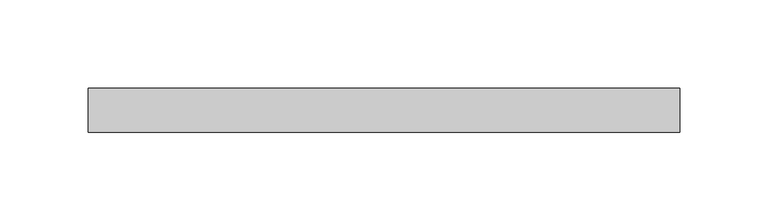
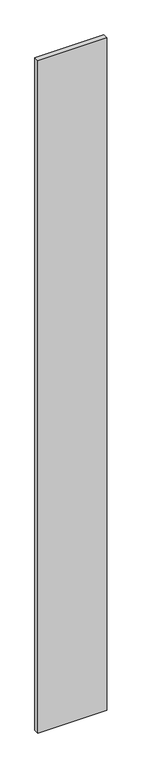
"""IFC4 building model written with IfcOpenShell, lengths in millimetres: plate geometry."""

from ifc_helpers import new_model, si_unit, origin, origin_with_axes, place, context, project, spatial, polyline, outline, extrude, source, transform, mapped, element, save


def plate_2fcf1651(model_context):
    return source(origin(), model_context, "Body", "SweptSolid", [
        extrude(outline(polyline([(167.5907605, 24.5), (-167.5907605, 24.5), (-167.5907605, 49.5), (167.5907605, 49.5), (167.5907605, 24.5)])), origin_with_axes(), (0.0, 0.0, 1.0), 3450.0),
    ])


if __name__ == "__main__":
    model = new_model("IFC4")
    model_context = context("Model", 3, world=origin())
    ifc_project = project(units=[si_unit("LENGTHUNIT", "METRE", prefix="MILLI")], contexts=[model_context])
    site = spatial("IfcSite", under=ifc_project)
    building = spatial("IfcBuilding", under=site)
    placement = place(None, origin())
    plate_shape = plate_2fcf1651(model_context)
    element("IfcPlate", 1, at=placement, inside=building, context=model_context, shape_type="MappedRepresentation", body=[
        mapped(plate_shape, transform((0.0, 0.0, 0.0), x_axis=(1.0, 0.0, 0.0), y_axis=(0.0, 1.0, 0.0), z_axis=(0.0, 0.0, 1.0))),
    ])
    save(model, "model.ifc")
